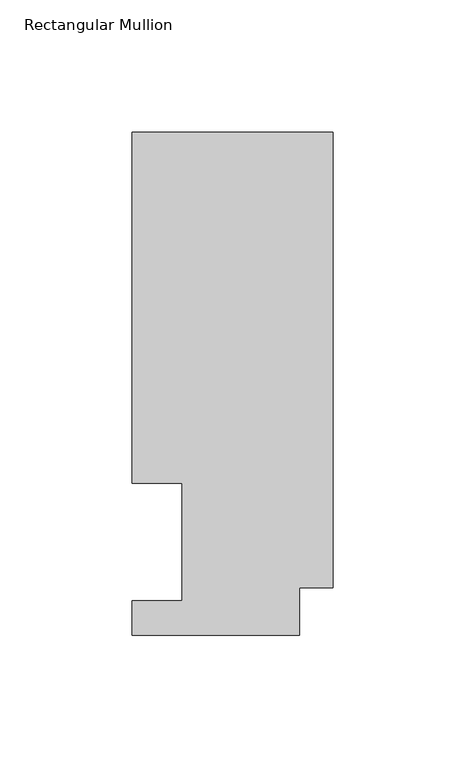
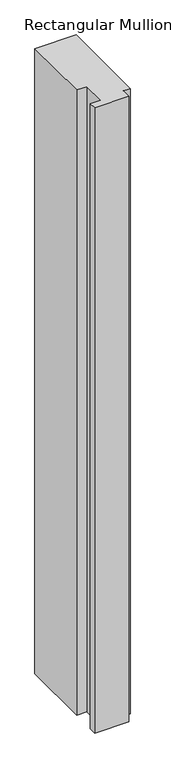
"""IFC4 building model written with IfcOpenShell, lengths in millimetres: member geometry, Rectangular Mullion."""

from ifc_helpers import new_model, si_unit, frame, origin, place, context, project, spatial, polyline, outline, extrude, source, transform, mapped, element, save


def rectangular_mullion_9ced0bdb(model_context):
    return source(origin(), model_context, "Body", "SweptSolid", [
        extrude(outline(polyline([(-76.2, 57.6460937), (-76.2, 190.5896937), (0.0, 190.5896937), (0.0, 17.9712937), (-12.7, 17.9712937), (-12.7, 0.0134937), (-76.2, 0.0134937), (-76.2, 13.1960937), (-57.15, 13.1960937), (-57.15, 57.6460937), (-76.2, 57.6460937)])), frame((0.0, 0.0, -1219.2), z_axis=(0.0, 0.0, 1.0), x_axis=(1.0, 0.0, 0.0)), (0.0, 0.0, 1.0), 1219.2),
    ])


if __name__ == "__main__":
    model = new_model("IFC4")
    model_context = context("Model", 3, world=origin())
    ifc_project = project(units=[si_unit("LENGTHUNIT", "METRE", prefix="MILLI")], contexts=[model_context])
    site = spatial("IfcSite", under=ifc_project)
    building = spatial("IfcBuilding", under=site)
    placement = place(None, origin())
    rectangular_mullion_shape = rectangular_mullion_9ced0bdb(model_context)
    element("IfcMember", 1, ObjectType="Rectangular Mullion", at=placement, inside=building, context=model_context, shape_type="MappedRepresentation", body=[
        mapped(rectangular_mullion_shape, transform((0.0, 0.0, 0.0), x_axis=(1.0, 0.0, 0.0), y_axis=(0.0, 1.0, 0.0), z_axis=(0.0, 0.0, 1.0))),
    ])
    save(model, "model.ifc")
